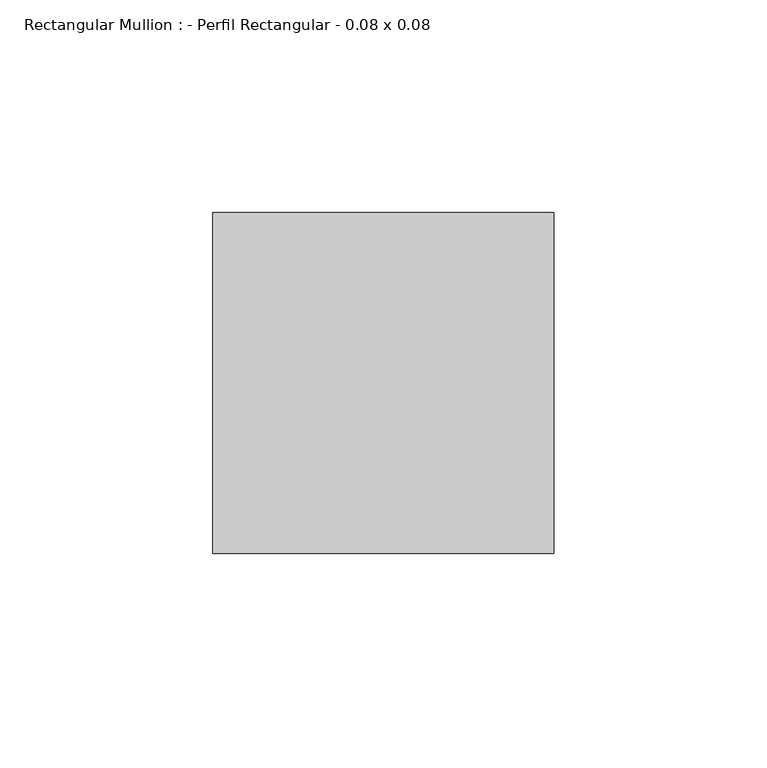
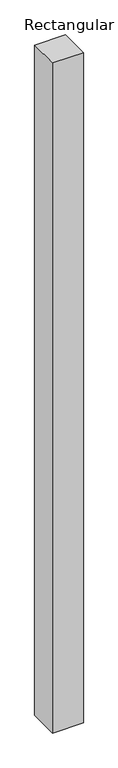
"""IFC4 building model written with IfcOpenShell, lengths in millimetres: member geometry, Rectangular Mullion : - Perfil Rectangular - 0.08 x 0.08."""

from ifc_helpers import new_model, si_unit, frame, origin, place, context, project, spatial, polyline, outline, extrude, source, transform, mapped, element, save


def rectangular_mullion_perfil_rectangular_0_08_x_0_08_5d8c8c80(model_context):
    return source(origin(), model_context, "Body", "SweptSolid", [
        extrude(outline(polyline([(0.0, 80.0), (0.0, 0.0), (-80.0, 0.0), (-80.0, 80.0), (0.0, 80.0)])), frame((0.0, 0.0, -1840.0), z_axis=(0.0, 0.0, 1.0), x_axis=(1.0, 0.0, 0.0)), (0.0, 0.0, 1.0), 1840.0),
    ])


if __name__ == "__main__":
    model = new_model("IFC4")
    model_context = context("Model", 3, world=origin())
    ifc_project = project(units=[si_unit("LENGTHUNIT", "METRE", prefix="MILLI")], contexts=[model_context])
    site = spatial("IfcSite", under=ifc_project)
    building = spatial("IfcBuilding", under=site)
    placement = place(None, origin())
    rectangular_mullion_perfil_rectangular_0_08_x_0_08_shape = rectangular_mullion_perfil_rectangular_0_08_x_0_08_5d8c8c80(model_context)
    element("IfcMember", 1, ObjectType="Rectangular Mullion : - Perfil Rectangular - 0.08 x 0.08", at=placement, inside=building, context=model_context, shape_type="MappedRepresentation", body=[
        mapped(rectangular_mullion_perfil_rectangular_0_08_x_0_08_shape, transform((0.0, 0.0, 0.0), x_axis=(1.0, 0.0, 0.0), y_axis=(0.0, 1.0, 0.0), z_axis=(0.0, 0.0, 1.0))),
    ])
    save(model, "model.ifc")
